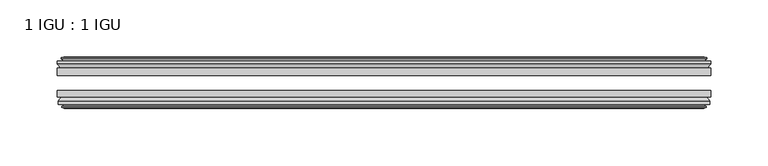
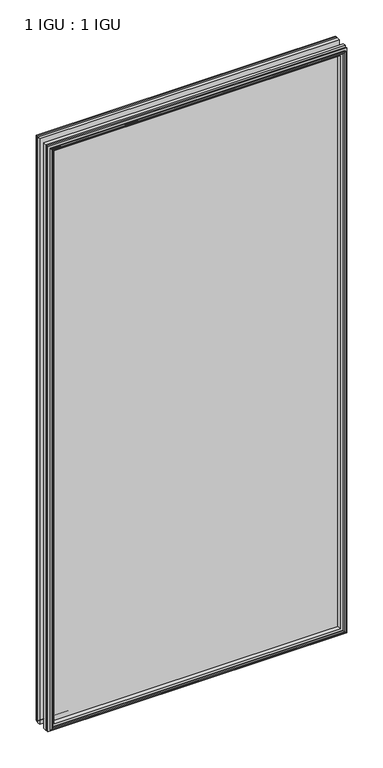
"""IFC4 building model written with IfcOpenShell, lengths in millimetres: plate geometry, 1 IGU : 1 IGU."""

from ifc_helpers import new_model, si_unit, frame, origin, place, context, project, spatial, polyline, outline, extrude, faceted_brep, source, transform, mapped, element, save


def plate_1_igu_1_igu_47f45110(model_context):
    return source(origin(), model_context, "Body", "SolidModel", [
        extrude(outline(polyline([(285.75, -19.5460937), (285.75, -25.8960938), (-285.75, -25.8960938), (-285.75, -19.5460937), (285.75, -19.5460937)])), frame((0.0, 0.0, -12.7), z_axis=(0.0, 0.0, 1.0), x_axis=(1.0, 0.0, 0.0)), (0.0, 0.0, 1.0), 1181.0999996),
        extrude(outline(polyline([(-285.75, -44.9460938), (-285.75, -38.9186737), (285.75, -38.9186737), (285.75, -44.9460938), (-285.75, -44.9460938)])), frame((0.0, 0.0, -12.7), z_axis=(0.0, 0.0, 1.0), x_axis=(1.0, 0.0, 0.0)), (0.0, 0.0, 1.0), 1181.0999996),
        faceted_brep([(-280.162, -53.6762907, 1162.8119996), (-280.543, -51.2960937, 1163.1929996), (-280.543, -51.2960937, -7.493), (-280.162, -53.6762907, -7.112), (-281.5775291, -53.2163575, 1164.2275287), (-281.5775291, -53.2163575, -8.5275291), (-281.5775291, -54.0175717, 1164.2275287), (-281.5775291, -54.0175717, -8.5275291), (-279.4, -54.7250937, 1162.0499996), (-279.4, -54.7250937, -6.35), (-277.2224709, -54.0175717, 1159.8724706), (-277.2224709, -54.0175717, -4.1724709), (-277.2224709, -53.2163575, 1159.8724706), (-277.2224709, -53.2163575, -4.1724709), (-278.638, -53.6762907, 1161.2879996), (-278.638, -53.6762907, -5.588), (-278.257, -51.2960937, 1160.9069996), (-278.257, -51.2960937, -5.207), (-271.3322819, -44.9460937, 1153.9822816), (-273.05, -51.2960937, 1155.6999996), (-273.05, -51.2960937, 0.0), (-271.3322819, -44.9460937, 1.7177181), (-284.988, -48.3496937, 1167.6379996), (-282.1536578, -44.9460937, 1164.8036575), (-282.1536578, -44.9460937, -9.1036578), (-284.988, -48.3496937, -11.938), (-284.988, -51.2960937, 1167.6379996), (-284.988, -51.2960937, -11.938), (280.543, -51.2960938, -7.493), (280.162, -53.6762907, -7.112), (281.5775291, -53.2163575, -8.5275291), (281.5775291, -54.0175717, -8.5275291), (279.4, -54.7250937, -6.35), (277.2224709, -54.0175717, -4.1724709), (277.2224709, -53.2163575, -4.1724709), (278.638, -53.6762907, -5.588), (278.257, -51.2960937, -5.207), (273.05, -51.2960937, 0.0), (271.3322819, -44.9460937, 1.7177181), (282.1536578, -44.9460937, -9.1036578), (284.988, -48.3496937, -11.938), (284.988, -51.2960938, -11.938), (280.543, -51.2960938, 1163.1929996), (280.162, -53.6762907, 1162.8119996), (281.5775291, -53.2163575, 1164.2275287), (281.5775291, -54.0175717, 1164.2275287), (279.4, -54.7250937, 1162.0499996), (277.2224709, -54.0175717, 1159.8724706), (277.2224709, -53.2163575, 1159.8724706), (278.638, -53.6762907, 1161.2879996), (278.257, -51.2960937, 1160.9069996), (273.05, -51.2960937, 1155.6999996), (271.3322819, -44.9460937, 1153.9822816), (282.1536578, -44.9460937, 1164.8036575), (284.988, -48.3496937, 1167.6379996), (284.988, -51.2960938, 1167.6379996)], [[[0, 1, 2, 3]], [[4, 0, 3, 5]], [[6, 4, 5, 7]], [[8, 6, 7, 9]], [[10, 8, 9, 11]], [[12, 10, 11, 13]], [[14, 12, 13, 15]], [[16, 14, 15, 17]], [[18, 19, 20, 21]], [[22, 23, 24, 25]], [[26, 22, 25, 27]], [[3, 2, 28, 29]], [[5, 3, 29, 30]], [[7, 5, 30, 31]], [[9, 7, 31, 32]], [[11, 9, 32, 33]], [[13, 11, 33, 34]], [[15, 13, 34, 35]], [[17, 15, 35, 36]], [[21, 20, 37, 38]], [[25, 24, 39, 40]], [[27, 25, 40, 41]], [[29, 28, 42, 43]], [[30, 29, 43, 44]], [[31, 30, 44, 45]], [[32, 31, 45, 46]], [[33, 32, 46, 47]], [[34, 33, 47, 48]], [[35, 34, 48, 49]], [[36, 35, 49, 50]], [[38, 37, 51, 52]], [[40, 39, 53, 54]], [[41, 40, 54, 55]], [[27, 41, 55, 26], [1, 42, 28, 2]], [[43, 42, 1, 0]], [[44, 43, 0, 4]], [[45, 44, 4, 6]], [[46, 45, 6, 8]], [[47, 46, 8, 10]], [[48, 47, 10, 12]], [[49, 48, 12, 14]], [[50, 49, 14, 16]], [[17, 36, 50, 16], [19, 51, 37, 20]], [[52, 51, 19, 18]], [[23, 53, 39, 24], [21, 38, 52, 18]], [[54, 53, 23, 22]], [[55, 54, 22, 26]]]),
        faceted_brep([(-282.6743578, -19.5460937, 1165.3243575), (-285.5087, -16.1424937, 1168.1586996), (-285.5087, -16.1424937, -12.4587), (-282.6743578, -19.5460937, -9.6243578), (-273.5707, -13.1960937, 1156.2206996), (-271.8529819, -19.5460937, 1154.5029816), (-271.8529819, -19.5460937, 1.1970181), (-273.5707, -13.1960937, -0.5207), (-279.1587, -10.8158968, 1161.8086996), (-278.7777, -13.1960937, 1161.4276996), (-278.7777, -13.1960937, -5.7277), (-279.1587, -10.8158968, -6.1087), (-277.7431709, -11.27583, 1160.3931706), (-277.7431709, -11.27583, -4.6931709), (-277.7431709, -10.4746158, 1160.3931706), (-277.7431709, -10.4746158, -4.6931709), (-279.9207, -9.7670937, 1162.5706996), (-279.9207, -9.7670937, -6.8707), (-282.0982291, -10.4746158, 1164.7482287), (-282.0982291, -10.4746158, -9.0482291), (-282.0982291, -11.27583, 1164.7482287), (-282.0982291, -11.27583, -9.0482291), (-280.6827, -10.8158968, 1163.3326996), (-280.6827, -10.8158968, -7.6327), (-281.0637, -13.1960937, 1163.7136996), (-281.0637, -13.1960937, -8.0137), (-285.5087, -13.1960937, 1168.1586996), (-285.5087, -13.1960937, -12.4587), (285.5087, -16.1424937, -12.4587), (282.6743578, -19.5460937, -9.6243578), (271.8529819, -19.5460937, 1.1970181), (273.5707, -13.1960937, -0.5207), (278.7777, -13.1960937, -5.7277), (279.1587, -10.8158968, -6.1087), (277.7431709, -11.27583, -4.6931709), (277.7431709, -10.4746158, -4.6931709), (279.9207, -9.7670937, -6.8707), (282.0982291, -10.4746158, -9.0482291), (282.0982291, -11.27583, -9.0482291), (280.6827, -10.8158968, -7.6327), (281.0637, -13.1960937, -8.0137), (285.5087, -13.1960937, -12.4587), (285.5087, -16.1424937, 1168.1586996), (282.6743578, -19.5460937, 1165.3243575), (271.8529819, -19.5460937, 1154.5029816), (273.5707, -13.1960937, 1156.2206996), (278.7777, -13.1960937, 1161.4276996), (279.1587, -10.8158968, 1161.8086996), (277.7431709, -11.27583, 1160.3931706), (277.7431709, -10.4746158, 1160.3931706), (279.9207, -9.7670937, 1162.5706996), (282.0982291, -10.4746158, 1164.7482287), (282.0982291, -11.27583, 1164.7482287), (280.6827, -10.8158968, 1163.3326996), (281.0637, -13.1960937, 1163.7136996), (285.5087, -13.1960937, 1168.1586996)], [[[0, 1, 2, 3]], [[4, 5, 6, 7]], [[8, 9, 10, 11]], [[12, 8, 11, 13]], [[14, 12, 13, 15]], [[16, 14, 15, 17]], [[18, 16, 17, 19]], [[20, 18, 19, 21]], [[22, 20, 21, 23]], [[24, 22, 23, 25]], [[1, 26, 27, 2]], [[3, 2, 28, 29]], [[7, 6, 30, 31]], [[11, 10, 32, 33]], [[13, 11, 33, 34]], [[15, 13, 34, 35]], [[17, 15, 35, 36]], [[19, 17, 36, 37]], [[21, 19, 37, 38]], [[23, 21, 38, 39]], [[25, 23, 39, 40]], [[2, 27, 41, 28]], [[29, 28, 42, 43]], [[31, 30, 44, 45]], [[33, 32, 46, 47]], [[34, 33, 47, 48]], [[35, 34, 48, 49]], [[36, 35, 49, 50]], [[37, 36, 50, 51]], [[38, 37, 51, 52]], [[39, 38, 52, 53]], [[40, 39, 53, 54]], [[28, 41, 55, 42]], [[43, 42, 1, 0]], [[3, 29, 43, 0], [5, 44, 30, 6]], [[45, 44, 5, 4]], [[9, 46, 32, 10], [7, 31, 45, 4]], [[47, 46, 9, 8]], [[48, 47, 8, 12]], [[49, 48, 12, 14]], [[50, 49, 14, 16]], [[51, 50, 16, 18]], [[52, 51, 18, 20]], [[53, 52, 20, 22]], [[54, 53, 22, 24]], [[26, 55, 41, 27], [25, 40, 54, 24]], [[42, 55, 26, 1]]]),
    ])


if __name__ == "__main__":
    model = new_model("IFC4")
    model_context = context("Model", 3, world=origin())
    ifc_project = project(units=[si_unit("LENGTHUNIT", "METRE", prefix="MILLI")], contexts=[model_context])
    site = spatial("IfcSite", under=ifc_project)
    building = spatial("IfcBuilding", under=site)
    placement = place(None, origin())
    plate_1_igu_1_igu_shape = plate_1_igu_1_igu_47f45110(model_context)
    element("IfcPlate", 1, ObjectType="1 IGU : 1 IGU", at=placement, inside=building, context=model_context, shape_type="MappedRepresentation", body=[
        mapped(plate_1_igu_1_igu_shape, transform((0.0, 0.0, 0.0), x_axis=(1.0, 0.0, 0.0), y_axis=(0.0, 1.0, 0.0), z_axis=(0.0, 0.0, 1.0))),
    ])
    save(model, "model.ifc")
